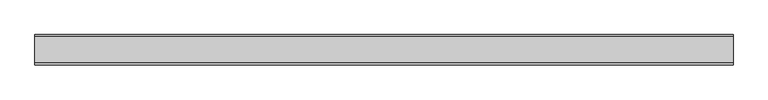
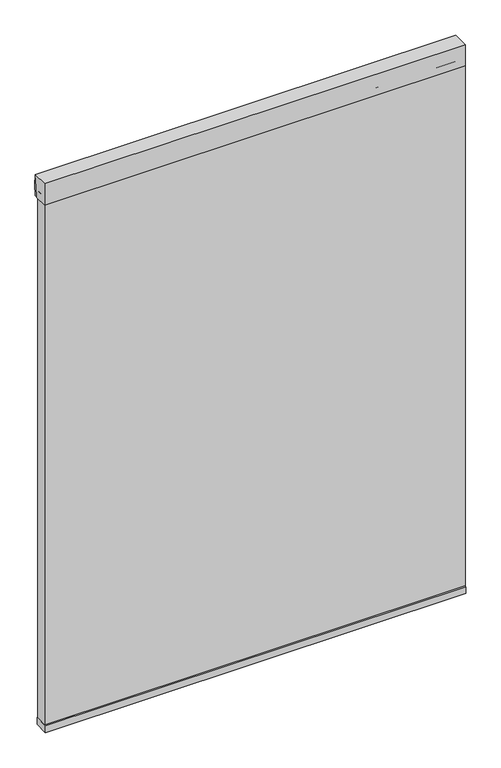
"""IFC4 building model written with IfcOpenShell, lengths in millimetres: plate geometry."""

from ifc_helpers import new_model, si_unit, point, frame, frame_2d, origin, place, context, project, spatial, polyline, circle_curve, trimmed, segment, composite_curve, outline, extrude, source, transform, mapped, element, save


def plate_7b6c9d5b(model_context):
    return source(origin(), model_context, "Body", "SweptSolid", [
        extrude(outline(composite_curve([segment(polyline([(-20.6375, 2133.6), (35.71875, 2133.6), (35.71875, 2130.425)]), True, "CONTINUOUS"), segment(trimmed(circle_curve(frame_2d((359.5960463, 2051.2450255)), 333.4156137), [point((35.71875, 2130.425))], [point((26.19375, 2054.225))], True, "CARTESIAN"), True, "CONTINUOUS"), segment(polyline([(26.19375, 2054.225), (-20.6375, 2054.225), (-20.6375, 2133.6)]), True, "CONTINUOUS")], self_intersect=False)), frame((-736.6, 0.0, 0.0), z_axis=(1.0, 0.0, 0.0), x_axis=(0.0, 1.0, 0.0)), (0.0, 0.0, 1.0), 1473.2),
        extrude(outline(composite_curve([segment(polyline([(-20.6375, 2054.225), (-20.6375, 2133.6), (35.71875, 2133.6)]), True, "CONTINUOUS"), segment(trimmed(circle_curve(frame_2d((-276.5341329, 2093.9125)), 314.7649291), [point((35.71875, 2133.6))], [point((35.71875, 2054.225))], False, "CARTESIAN"), True, "CONTINUOUS"), segment(polyline([(35.71875, 2054.225), (-20.6375, 2054.225)]), True, "CONTINUOUS")], self_intersect=False)), frame((-736.6, 0.0, 0.0), z_axis=(1.0, 0.0, 0.0), x_axis=(0.0, 1.0, 0.0)), (0.0, 0.0, 1.0), 1473.2),
        extrude(outline(polyline([(-736.6, -25.4), (-736.6, 25.4), (736.6, 25.4), (736.6, -25.4), (-736.6, -25.4)])), frame((0.0, 0.0, 101.6), z_axis=(0.0, 0.0, 1.0), x_axis=(1.0, 0.0, 0.0)), (0.0, 0.0, 1.0), 25.4),
        extrude(outline(polyline([(736.6, -20.6375), (-736.6, -20.6375), (-736.6, 20.6375), (736.6, 20.6375), (736.6, -20.6375)])), frame((0.0, 0.0, 127.0), z_axis=(0.0, 0.0, 1.0), x_axis=(1.0, 0.0, 0.0)), (0.0, 0.0, 1.0), 1955.8),
    ])


if __name__ == "__main__":
    model = new_model("IFC4")
    model_context = context("Model", 3, world=origin())
    ifc_project = project(units=[si_unit("LENGTHUNIT", "METRE", prefix="MILLI")], contexts=[model_context])
    site = spatial("IfcSite", under=ifc_project)
    building = spatial("IfcBuilding", under=site)
    placement = place(None, origin())
    plate_shape = plate_7b6c9d5b(model_context)
    element("IfcPlate", 1, at=placement, inside=building, context=model_context, shape_type="MappedRepresentation", body=[
        mapped(plate_shape, transform((0.0, 0.0, 0.0), x_axis=(1.0, 0.0, 0.0), y_axis=(0.0, 1.0, 0.0), z_axis=(0.0, 0.0, 1.0))),
    ])
    save(model, "model.ifc")
